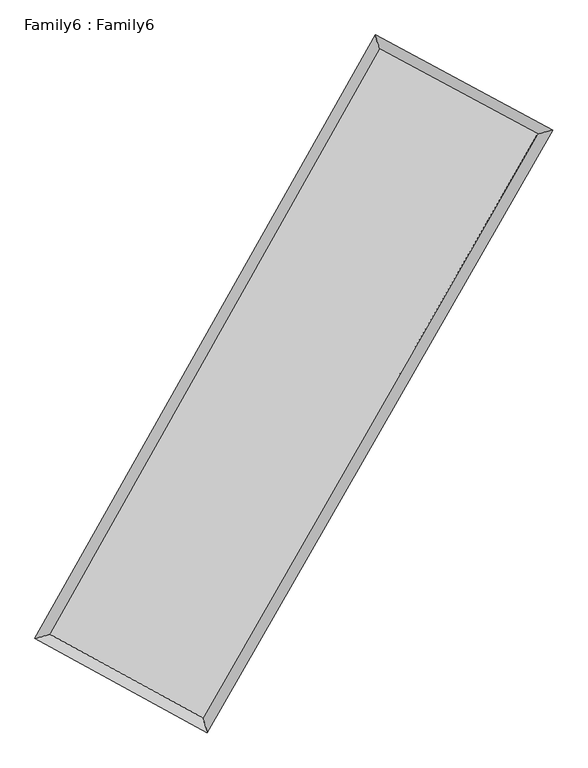
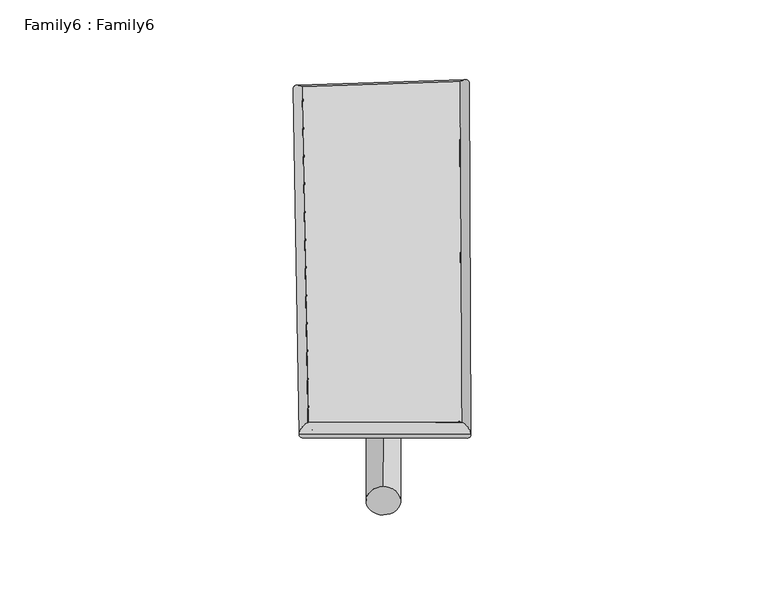
"""IFC4 building model written with IfcOpenShell, lengths in millimetres: plate geometry, Family6 : Family6."""

from ifc_helpers import new_model, si_unit, point, frame, origin, origin_2d, place, context, project, spatial, circle_curve, ellipse_curve, trimmed, segment, composite_curve, outline, extrude, source, transform, mapped, element, save
from ifc_brep_helpers import plane_surface, cylinder_surface, spline_surface, advanced_brep


def family6_family6_0851be71(model_context):
    return source(origin(), model_context, "Body", "SolidModel", [
        extrude(outline(composite_curve([segment(trimmed(circle_curve(origin_2d(), 76.2), [point((-75.4341515, -10.7763073))], [point((75.4341515, 10.7763073))], False, "CARTESIAN"), True, "CONTINUOUS"), segment(trimmed(circle_curve(origin_2d(), 76.2), [point((75.4341515, 10.7763073))], [point((-75.4341515, -10.7763073))], False, "CARTESIAN"), True, "CONTINUOUS")], self_intersect=False)), frame((9144.0, 9144.0, 0.0), z_axis=(0.6753529545497714, 0.6845106023536066, 0.27448792695926955), x_axis=(-0.6768360623274172, 0.723094543945124, -0.13793920853009747)), (0.0, 0.0, 1.0), 5643.4465331),
        extrude(outline(composite_curve([segment(trimmed(circle_curve(origin_2d(), 76.2), [point((-53.8815368, 53.8815367))], [point((53.8815368, -53.8815367))], False, "CARTESIAN"), True, "CONTINUOUS"), segment(trimmed(circle_curve(origin_2d(), 76.2), [point((53.8815368, -53.8815367))], [point((-53.8815368, 53.8815367))], False, "CARTESIAN"), True, "CONTINUOUS")], self_intersect=False)), frame((9144.0, 9144.0, 0.0), z_axis=(-0.6707154543037381, -0.688645956889804, 0.27551320370801946), x_axis=(0.643963179981703, -0.3563412094073385, 0.6770024854503623)), (0.0, 0.0, 1.0), 5623.8004307),
        extrude(outline(composite_curve([segment(trimmed(circle_curve(origin_2d(), 76.2), [point((-53.8815367, -53.8815367))], [point((53.8815367, 53.8815367))], False, "CARTESIAN"), True, "CONTINUOUS"), segment(trimmed(circle_curve(origin_2d(), 76.2), [point((53.8815367, 53.8815367))], [point((-53.8815367, -53.8815367))], False, "CARTESIAN"), True, "CONTINUOUS")], self_intersect=False)), frame((9144.0, 9144.0, 0.0), z_axis=(0.2409747246685852, 0.9325314443661604, 0.26891687812270554), x_axis=(-0.8453165373690182, 0.33780113640193615, -0.41392069759316685)), (0.0, 0.0, 1.0), 5564.8252178),
        extrude(outline(composite_curve([segment(trimmed(circle_curve(origin_2d(), 76.2), [point((-75.4341514, 10.7763074))], [point((75.4341514, -10.7763074))], False, "CARTESIAN"), True, "CONTINUOUS"), segment(trimmed(circle_curve(origin_2d(), 76.2), [point((75.4341514, -10.7763074))], [point((-75.4341514, 10.7763074))], False, "CARTESIAN"), True, "CONTINUOUS")], self_intersect=False)), frame((9144.0, 9144.0, 0.0), z_axis=(-0.24743701093424025, -0.9308696365678902, 0.2688059622402241), x_axis=(0.8869012761520804, -0.10590305910878803, 0.4496561669000125)), (0.0, 0.0, 1.0), 5564.7533823),
        advanced_brep(
        [(5163.4769552, 5211.5653383, 1545.8321858), (5163.4078585, 5211.4529414, 1554.4273526), (5580.5833231, 5330.8198037, 1553.0303616), (10544.330636, 14128.5516105, 1501.6198559), (10425.6338134, 14538.1973856, 1491.3309939), (5580.6524199, 5330.9322006, 1544.4351948), (12745.1337386, 12946.8940281, 1548.4652076), (13165.5028414, 13067.1039434, 1549.6506719), (7709.1243119, 4169.1788629, 1496.8077226), (7825.0238011, 3758.70122, 1494.8700525)],
        [
            (0, 1, ellipse_curve(frame((5372.0301392, 5271.192571, 1549.4312737), z_axis=(-0.275044736368251, 0.9613756037260676, 0.010360577033083743), x_axis=(-0.9612327937377791, -0.2751909859151072, 0.017361955942100504)), 217.0681708, 152.4)),
            (1, 2, ellipse_curve(frame((5372.0301392, 5271.192571, 1549.4312737), z_axis=(-0.275044736368251, 0.9613756037260676, 0.010360577033083743), x_axis=(-0.9612327937377791, -0.2751909859151072, 0.017361955942100504)), 217.0681708, 152.4)),
            (2, 3),
            (3, 4, ellipse_curve(frame((10484.9822247, 14333.374498, 1496.4754249), z_axis=(-0.9603840080626372, -0.27851598546633255, -0.009560486246105043), x_axis=(0.2783318633650428, -0.9603338830230308, 0.017035461650653796)), 213.3150351, 152.4)),
            (4, 0),
            (2, 5, ellipse_curve(frame((5372.0301392, 5271.192571, 1549.4312737), z_axis=(-0.275044736368251, 0.9613756037260676, 0.010360577033083743), x_axis=(-0.9612327937377791, -0.2751909859151072, 0.017361955942100504)), 217.0681708, 152.4)),
            (5, 0, ellipse_curve(frame((5372.0301392, 5271.192571, 1549.4312737), z_axis=(-0.275044736368251, 0.9613756037260676, 0.010360577033083743), x_axis=(-0.9612327937377791, -0.2751909859151072, 0.017361955942100504)), 217.0681708, 152.4)),
            (4, 3, ellipse_curve(frame((10484.9822247, 14333.374498, 1496.4754249), z_axis=(-0.9603840080626372, -0.27851598546633255, -0.009560486246105043), x_axis=(0.2783318633650428, -0.9603338830230308, 0.017035461650653796)), 213.3150351, 152.4)),
            (3, 6),
            (6, 7, ellipse_curve(frame((12955.31829, 13006.9989857, 1549.0579398), z_axis=(-0.27490331600667794, 0.9614220526145667, -0.009787931085071215), x_axis=(-0.9612902983322745, -0.27503499562369693, -0.016634708128478372)), 218.6328131, 152.4)),
            (7, 4),
            (7, 6, ellipse_curve(frame((12955.31829, 13006.9989857, 1549.0579398), z_axis=(-0.27490331600667794, 0.9614220526145667, -0.009787931085071215), x_axis=(-0.9612902983322745, -0.27503499562369693, -0.016634708128478372)), 218.6328131, 152.4)),
            (6, 8),
            (8, 9, ellipse_curve(frame((7767.0740565, 3963.9400415, 1495.8388875), z_axis=(0.9623115224717631, 0.27175930407088333, -0.010169285569139265), x_axis=(-0.2715577933300148, 0.9622596698514222, 0.017683117914129538)), 213.2829452, 152.4)),
            (9, 7),
            (9, 8, ellipse_curve(frame((7767.0740565, 3963.9400415, 1495.8388875), z_axis=(0.9623115224717631, 0.27175930407088333, -0.010169285569139265), x_axis=(-0.2715577933300148, 0.9622596698514222, 0.017683117914129538)), 213.2829452, 152.4)),
            (8, 5),
            (1, 9),
        ],
        [
            cylinder_surface(frame((5372.0301392, 5271.192571, 1549.4312737), z_axis=(-0.4913842307642152, -0.8709280315507, 0.005089362974244912), x_axis=(-0.8706506897060684, 0.49105962027841443, -0.028771962852176824)), 152.4),
            cylinder_surface(frame((10484.9822247, 14333.374498, 1496.4754249), z_axis=(-0.8808821239460624, 0.4729641828237462, -0.018750079416895882), x_axis=(0.47324561343005095, 0.8807960174801734, -0.01539366623909294)), 152.4),
            cylinder_surface(frame((12955.31829, 13006.9989857, 1549.0579398), z_axis=(0.49763438761003365, 0.8673718694307869, 0.005104545829823876), x_axis=(0.867385822938685, -0.4976343876100336, -0.0013603062034055861)), 152.4),
            cylinder_surface(frame((7767.0740565, 3963.9400415, 1495.8388875), z_axis=(0.8775930210589578, -0.47900403345274933, -0.019637345151753142), x_axis=(-0.4788349357696783, -0.8778106693744414, 0.012865963580047414)), 152.4),
        ],
        [
            (0, [[1, 2, 3, 4, 5]]),
            (0, [[6, 7, -5, 8, -3]]),
            (1, [[-4, 9, 10, 11]]),
            (1, [[-8, -11, 12, -9]]),
            (2, [[-10, 13, 14, 15]]),
            (2, [[-12, -15, 16, -13]]),
            (3, [[-14, 17, -6, -2, 18]]),
            (3, [[-16, -18, -1, -7, -17]]),
        ],
    ),
        extrude(outline(composite_curve([segment(trimmed(circle_curve(origin_2d(), 304.8), [point((0.0, 304.7999999))], [point((0.0, -304.8))], False, "CARTESIAN"), True, "CONTINUOUS"), segment(trimmed(circle_curve(origin_2d(), 304.8), [point((0.0, -304.8))], [point((0.0, 304.7999999))], False, "CARTESIAN"), True, "CONTINUOUS")], self_intersect=False)), frame((11755.6466309, 13676.0610051, -0.0286327), z_axis=(-0.4992915137448445, -0.8664340622761881, 5.473956651766671e-06), x_axis=(-0.8664340622922424, 0.4992915137448445, -1.4643432404470378e-06)), (0.0, 0.0, 1.0), 10461.4100539),
        advanced_brep(
        [(5372.0301392, 5271.192571, 1549.4312737), (7767.0740565, 3963.9400415, 1495.8388875), (7767.062554, 3963.943554, 1648.2388871), (5372.0186367, 5271.1960835, 1701.8312732), (12955.31829, 13006.9989857, 1549.0579398), (12955.3067875, 13007.0024983, 1701.4579393), (10484.9822247, 14333.374498, 1496.4754249), (10484.9707222, 14333.3780106, 1648.8754244)],
        [
            (0, 1),
            (1, 2),
            (2, 3),
            (3, 0),
            (1, 4),
            (4, 5),
            (5, 2),
            (4, 6),
            (6, 7),
            (7, 5),
            (6, 0),
            (3, 7),
        ],
        [
            plane_surface(frame((6569.5520978, 4617.5663062, 1522.6350806), z_axis=(-0.47909669278007566, -0.8777621310545651, -1.5929291958210676e-05), x_axis=(0.8775930210589576, -0.4790040334527496, -0.01963734515175316))),
            plane_surface(frame((10361.1961732, 8485.4695136, 1522.4484137), z_axis=(0.8673829719362721, -0.4976412101864966, 7.693581295063756e-05), x_axis=(0.4976343876100334, 0.867371869430787, 0.005104545829823861))),
            plane_surface(frame((11720.1502573, 13670.1867419, 1522.7666823), z_axis=(0.4730470892360132, 0.8810371451467082, 1.5397212504320024e-05), x_axis=(-0.8808821239460626, 0.47296418282374625, -0.018750079416895906))),
            plane_surface(frame((7928.5061819, 9802.2835345, 1522.9533493), z_axis=(-0.8709395011248953, 0.49139025167584366, -7.706017089017213e-05), x_axis=(-0.4913842307642153, -0.8709280315506999, 0.0050893629742449))),
            spline_surface(1, 1, [[(7767.062554, 3963.943554, 1648.2388871), (5372.0186367, 5271.1960835, 1701.8312732)], [(12955.3067875, 13007.0024983, 1701.4579393), (10484.9707222, 14333.3780106, 1648.8754244)]], [2, 2], [2, 2], [0.0, 1.0], [0.0, 1.0]),
            spline_surface(1, 1, [[(10484.9822247, 14333.374498, 1496.4754249), (5372.0301392, 5271.192571, 1549.4312737)], [(12955.31829, 13006.9989857, 1549.0579398), (7767.0740565, 3963.9400415, 1495.8388875)]], [2, 2], [2, 2], [0.0, 1.0], [0.0, 1.0]),
        ],
        [
            (0, [[1, 2, 3, 4]]),
            (1, [[5, 6, 7, -2]]),
            (2, [[8, 9, 10, -6]]),
            (3, [[11, -4, 12, -9]]),
            (4, [[-3, -7, -10, -12]]),
            (5, [[-11, -8, -5, -1]]),
        ],
    ),
    ])


if __name__ == "__main__":
    model = new_model("IFC4")
    model_context = context("Model", 3, world=origin())
    ifc_project = project(units=[si_unit("LENGTHUNIT", "METRE", prefix="MILLI")], contexts=[model_context])
    site = spatial("IfcSite", under=ifc_project)
    building = spatial("IfcBuilding", under=site)
    placement = place(None, origin())
    family6_family6_shape = family6_family6_0851be71(model_context)
    element("IfcPlate", 1, ObjectType="Family6 : Family6", at=placement, inside=building, context=model_context, shape_type="MappedRepresentation", body=[
        mapped(family6_family6_shape, transform((0.0, 0.0, 0.0), x_axis=(1.0, 0.0, 0.0), y_axis=(0.0, 1.0, 0.0), z_axis=(0.0, 0.0, 1.0))),
    ])
    save(model, "model.ifc")
